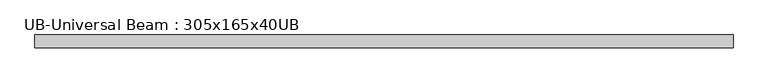
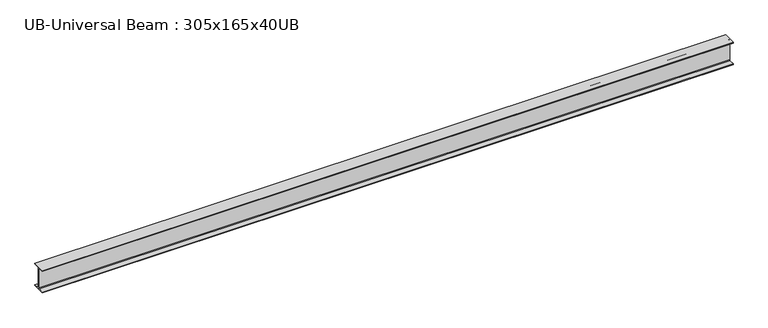
"""IFC4 building model written with IfcOpenShell, lengths in millimetres: beam geometry, UB-Universal Beam : 305x165x40UB."""

from ifc_helpers import new_model, si_unit, point, frame, frame_2d, origin, place, context, project, spatial, polyline, circle_curve, trimmed, segment, composite_curve, outline, extrude, source, transform, mapped, element, save


def ub_universal_beam_305x165x40ub_dd01fee9(model_context):
    return source(origin(), model_context, "Body", "SweptSolid", [
        extrude(outline(composite_curve([segment(polyline([(82.5, -141.5), (82.5, -151.7), (-82.5, -151.7), (-82.5, -141.5), (-11.9, -141.5)]), True, "CONTINUOUS"), segment(trimmed(circle_curve(frame_2d((-11.9, -132.6)), 8.9), [point((-11.9, -141.5))], [point((-3.0, -132.6))], True, "CARTESIAN"), True, "CONTINUOUS"), segment(polyline([(-3.0, -132.6), (-3.0, 132.6)]), True, "CONTINUOUS"), segment(trimmed(circle_curve(frame_2d((-11.9, 132.6)), 8.9), [point((-3.0, 132.6))], [point((-11.9, 141.5))], True, "CARTESIAN"), True, "CONTINUOUS"), segment(polyline([(-11.9, 141.5), (-82.5, 141.5), (-82.5, 151.7), (82.5, 151.7), (82.5, 141.5), (11.9, 141.5)]), True, "CONTINUOUS"), segment(trimmed(circle_curve(frame_2d((11.9, 132.6)), 8.9), [point((11.9, 141.5))], [point((3.0, 132.6))], True, "CARTESIAN"), True, "CONTINUOUS"), segment(polyline([(3.0, 132.6), (3.0, -132.6)]), True, "CONTINUOUS"), segment(trimmed(circle_curve(frame_2d((11.9, -132.6)), 8.9), [point((3.0, -132.6))], [point((11.9, -141.5))], True, "CARTESIAN"), True, "CONTINUOUS"), segment(polyline([(11.9, -141.5), (82.5, -141.5)]), True, "CONTINUOUS")], self_intersect=False)), frame((-4451.55, 0.0, 0.0), z_axis=(1.0, 0.0, 0.0), x_axis=(0.0, 1.0, 0.0)), (0.0, 0.0, 1.0), 8903.1),
    ])


if __name__ == "__main__":
    model = new_model("IFC4")
    model_context = context("Model", 3, world=origin())
    ifc_project = project(units=[si_unit("LENGTHUNIT", "METRE", prefix="MILLI")], contexts=[model_context])
    site = spatial("IfcSite", under=ifc_project)
    building = spatial("IfcBuilding", under=site)
    placement = place(None, origin())
    ub_universal_beam_305x165x40ub_shape = ub_universal_beam_305x165x40ub_dd01fee9(model_context)
    element("IfcBeam", 1, ObjectType="UB-Universal Beam : 305x165x40UB", at=placement, inside=building, context=model_context, shape_type="MappedRepresentation", body=[
        mapped(ub_universal_beam_305x165x40ub_shape, transform((0.0, 0.0, 0.0), x_axis=(1.0, 0.0, 0.0), y_axis=(0.0, 1.0, 0.0), z_axis=(0.0, 0.0, 1.0))),
    ])
    save(model, "model.ifc")
